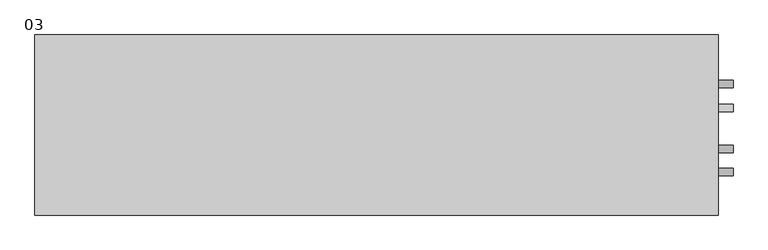
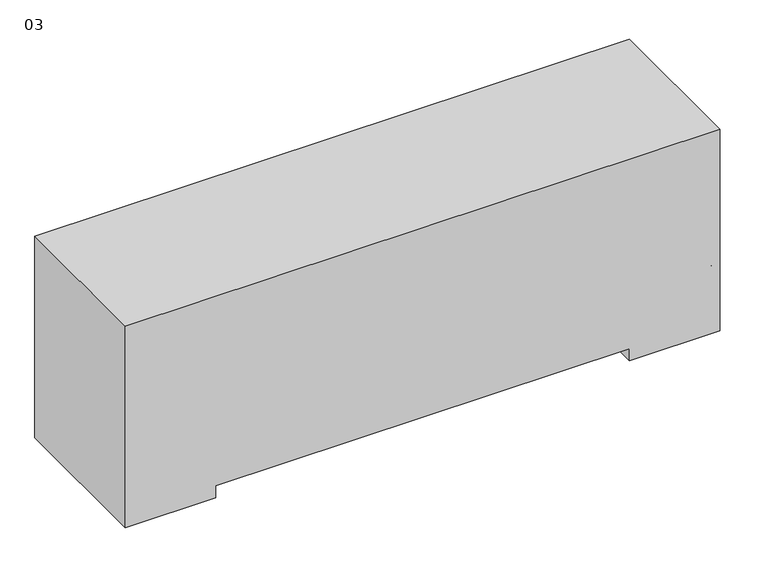
"""IFC4 building model written with IfcOpenShell, lengths in millimetres: proxy geometry, 03."""

from ifc_helpers import new_model, si_unit, frame, origin, place, context, project, spatial, circle_curve, source, transform, mapped, element, save
from ifc_brep_helpers import plane_surface, cylinder_surface, advanced_brep


def proxy_03_6f27f1c5(model_context):
    return source(origin(), model_context, "Body", "AdvancedBrep", [
        advanced_brep(
        [(-400.5558198, 153.9875, 0.0), (-400.5558198, -153.9875, 0.0), (-578.3558198, -153.9875, 0.0), (-578.3558198, 153.9875, 0.0), (590.0441802, 153.9875, 0.0), (590.0441802, -153.9875, 0.0), (412.2441802, -153.9875, 0.0), (412.2441802, 153.9875, 0.0), (-578.3558198, 153.9875, 419.1), (590.0441802, 153.9875, 419.1), (412.2441802, 153.9875, 25.4), (-400.5558198, 153.9875, 25.4), (-578.3558198, -153.9875, 419.1), (-400.5558198, -153.9875, 25.4), (412.2441802, -153.9875, 25.4), (590.0441802, -153.9875, 419.1), (590.0441802, 22.8564183, 165.1), (590.0441802, 35.5564183, 165.1), (590.0441802, -34.7237222, 127.0), (590.0441802, -47.4237222, 127.0), (590.0441802, -74.1045495, 88.9), (590.0441802, -86.8045495, 88.9), (590.0441802, 76.1773383, 203.2), (590.0441802, 63.4773383, 203.2), (615.4441802, 35.5564183, 165.1), (615.4441802, 22.8564183, 165.1), (615.4441802, -34.7237222, 127.0), (615.4441802, -47.4237222, 127.0), (615.4441802, -74.1045495, 88.9), (615.4441802, -86.8045495, 88.9), (615.4441802, 76.1773383, 203.2), (615.4441802, 63.4773383, 203.2)],
        [
            (0, 1),
            (1, 2),
            (2, 3),
            (3, 0),
            (4, 5),
            (5, 6),
            (6, 7),
            (7, 4),
            (3, 8),
            (8, 9),
            (9, 4),
            (7, 10),
            (10, 11),
            (11, 0),
            (2, 12),
            (12, 8),
            (1, 13),
            (13, 14),
            (14, 6),
            (5, 15),
            (15, 12),
            (11, 13),
            (14, 10),
            (9, 15),
            (16, 17, circle_curve(frame((590.0441802, 29.2064183, 165.1), z_axis=(-1.0, 0.0, 0.0), x_axis=(0.0, -1.0, 0.0)), 6.35)),
            (17, 16, circle_curve(frame((590.0441802, 29.2064183, 165.1), z_axis=(-1.0, 0.0, 0.0), x_axis=(0.0, -1.0, 0.0)), 6.35)),
            (18, 19, circle_curve(frame((590.0441802, -41.0737222, 127.0), z_axis=(-1.0, 0.0, 0.0), x_axis=(0.0, -1.0, 0.0)), 6.35)),
            (19, 18, circle_curve(frame((590.0441802, -41.0737222, 127.0), z_axis=(-1.0, 0.0, 0.0), x_axis=(0.0, -1.0, 0.0)), 6.35)),
            (20, 21, circle_curve(frame((590.0441802, -80.4545495, 88.9), z_axis=(-1.0, 0.0, 0.0), x_axis=(0.0, -1.0, 0.0)), 6.35)),
            (21, 20, circle_curve(frame((590.0441802, -80.4545495, 88.9), z_axis=(-1.0, 0.0, 0.0), x_axis=(0.0, -1.0, 0.0)), 6.35)),
            (22, 23, circle_curve(frame((590.0441802, 69.8273383, 203.2), z_axis=(-1.0, 0.0, 0.0), x_axis=(0.0, -1.0, 0.0)), 6.35)),
            (23, 22, circle_curve(frame((590.0441802, 69.8273383, 203.2), z_axis=(-1.0, 0.0, 0.0), x_axis=(0.0, -1.0, 0.0)), 6.35)),
            (24, 25, circle_curve(frame((615.4441802, 29.2064183, 165.1), z_axis=(1.0, 0.0, 0.0), x_axis=(0.0, -1.0, 0.0)), 6.35)),
            (25, 24, circle_curve(frame((615.4441802, 29.2064183, 165.1), z_axis=(1.0, 0.0, 0.0), x_axis=(0.0, -1.0, 0.0)), 6.35)),
            (24, 17),
            (16, 25),
            (26, 27, circle_curve(frame((615.4441802, -41.0737222, 127.0), z_axis=(1.0, 0.0, 0.0), x_axis=(0.0, -1.0, 0.0)), 6.35)),
            (27, 26, circle_curve(frame((615.4441802, -41.0737222, 127.0), z_axis=(1.0, 0.0, 0.0), x_axis=(0.0, -1.0, 0.0)), 6.35)),
            (27, 19),
            (18, 26),
            (28, 29, circle_curve(frame((615.4441802, -80.4545495, 88.9), z_axis=(1.0, 0.0, 0.0), x_axis=(0.0, -1.0, 0.0)), 6.35)),
            (29, 28, circle_curve(frame((615.4441802, -80.4545495, 88.9), z_axis=(1.0, 0.0, 0.0), x_axis=(0.0, -1.0, 0.0)), 6.35)),
            (29, 21),
            (20, 28),
            (30, 31, circle_curve(frame((615.4441802, 69.8273383, 203.2), z_axis=(1.0, 0.0, 0.0), x_axis=(0.0, -1.0, 0.0)), 6.35)),
            (31, 30, circle_curve(frame((615.4441802, 69.8273383, 203.2), z_axis=(1.0, 0.0, 0.0), x_axis=(0.0, -1.0, 0.0)), 6.35)),
            (31, 23),
            (22, 30),
        ],
        [
            plane_surface(frame((-578.3558198, 153.9875, 0.0), z_axis=(0.0, 0.0, -1.0), x_axis=(1.0, 0.0, 0.0))),
            plane_surface(frame((-400.5558198, 153.9875, 25.4), z_axis=(0.0, 1.0, 0.0), x_axis=(0.0, 0.0, -1.0))),
            plane_surface(frame((-578.3558198, 153.9875, 25.4), z_axis=(-1.0, 0.0, 0.0), x_axis=(0.0, 0.0, -1.0))),
            plane_surface(frame((-578.3558198, -153.9875, 25.4), z_axis=(0.0, -1.0, 0.0), x_axis=(0.0, 0.0, -1.0))),
            plane_surface(frame((-400.5558198, -153.9875, 25.4), z_axis=(1.0, 0.0, 0.0), x_axis=(0.0, 0.0, -1.0))),
            plane_surface(frame((412.2441802, 153.9875, 25.4), z_axis=(-1.0, 0.0, 0.0), x_axis=(0.0, 0.0, -1.0))),
            plane_surface(frame((590.0441802, -153.9875, 25.4), z_axis=(1.0, 0.0, 0.0), x_axis=(0.0, 0.0, -1.0))),
            plane_surface(frame((615.4441802, 22.8564183, 165.1), z_axis=(1.0, 0.0, 0.0), x_axis=(0.0, 0.0, -1.0))),
            cylinder_surface(frame((590.0441802, 29.2064183, 165.1), z_axis=(1.0, 0.0, 0.0), x_axis=(0.0, -1.0, 0.0)), 6.35),
            plane_surface(frame((-578.3558198, 153.9875, 419.1), z_axis=(0.0, 0.0, 1.0), x_axis=(-1.0, 0.0, 0.0))),
            plane_surface(frame((-578.3558198, 153.9875, 25.4), z_axis=(0.0, 0.0, -1.0), x_axis=(1.0, 0.0, 0.0))),
            plane_surface(frame((615.4441802, -47.4237222, 127.0), z_axis=(1.0, 0.0, 0.0), x_axis=(0.0, 0.0, -1.0))),
            cylinder_surface(frame((615.4441802, -41.0737222, 127.0), z_axis=(-1.0, 0.0, 0.0), x_axis=(0.0, -1.0, 0.0)), 6.35),
            plane_surface(frame((615.4441802, -86.8045495, 88.9), z_axis=(1.0, 0.0, 0.0), x_axis=(0.0, 0.0, -1.0))),
            cylinder_surface(frame((615.4441802, -80.4545495, 88.9), z_axis=(-1.0, 0.0, 0.0), x_axis=(0.0, -1.0, 0.0)), 6.35),
            plane_surface(frame((615.4441802, 63.4773383, 203.2), z_axis=(1.0, 0.0, 0.0), x_axis=(0.0, 0.0, -1.0))),
            cylinder_surface(frame((615.4441802, 69.8273383, 203.2), z_axis=(-1.0, 0.0, 0.0), x_axis=(0.0, -1.0, 0.0)), 6.35),
        ],
        [
            (0, [[1, 2, 3, 4]]),
            (0, [[5, 6, 7, 8]]),
            (1, [[-4, 9, 10, 11, -8, 12, 13, 14]]),
            (2, [[-3, 15, 16, -9]]),
            (3, [[-2, 17, 18, 19, -6, 20, 21, -15]]),
            (4, [[-1, -14, 22, -17]]),
            (5, [[-7, -19, 23, -12]]),
            (6, [[-5, -11, 24, -20], [25, 26], [27, 28], [29, 30], [31, 32]]),
            (7, [[33, 34]]),
            (8, [[-33, 35, -25, 36]]),
            (8, [[-34, -36, -26, -35]]),
            (9, [[-10, -16, -21, -24]]),
            (10, [[-13, -23, -18, -22]]),
            (11, [[37, 38]]),
            (12, [[-38, 39, -27, 40]]),
            (12, [[-37, -40, -28, -39]]),
            (13, [[41, 42]]),
            (14, [[-42, 43, -29, 44]]),
            (14, [[-41, -44, -30, -43]]),
            (15, [[45, 46]]),
            (16, [[-46, 47, -31, 48]]),
            (16, [[-45, -48, -32, -47]]),
        ],
    ),
    ])


if __name__ == "__main__":
    model = new_model("IFC4")
    model_context = context("Model", 3, world=origin())
    ifc_project = project(units=[si_unit("LENGTHUNIT", "METRE", prefix="MILLI")], contexts=[model_context])
    site = spatial("IfcSite", under=ifc_project)
    building = spatial("IfcBuilding", under=site)
    placement = place(None, origin())
    proxy_03_shape = proxy_03_6f27f1c5(model_context)
    element("IfcBuildingElementProxy", 1, Name="03", ObjectType="03", at=placement, inside=building, context=model_context, shape_type="MappedRepresentation", body=[
        mapped(proxy_03_shape, transform((0.0, 0.0, 0.0), x_axis=(1.0, 0.0, 0.0), y_axis=(0.0, 1.0, 0.0), z_axis=(0.0, 0.0, 1.0))),
    ])
    save(model, "model.ifc")
